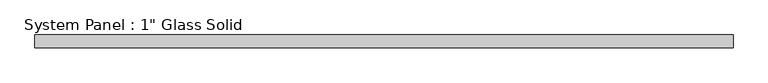
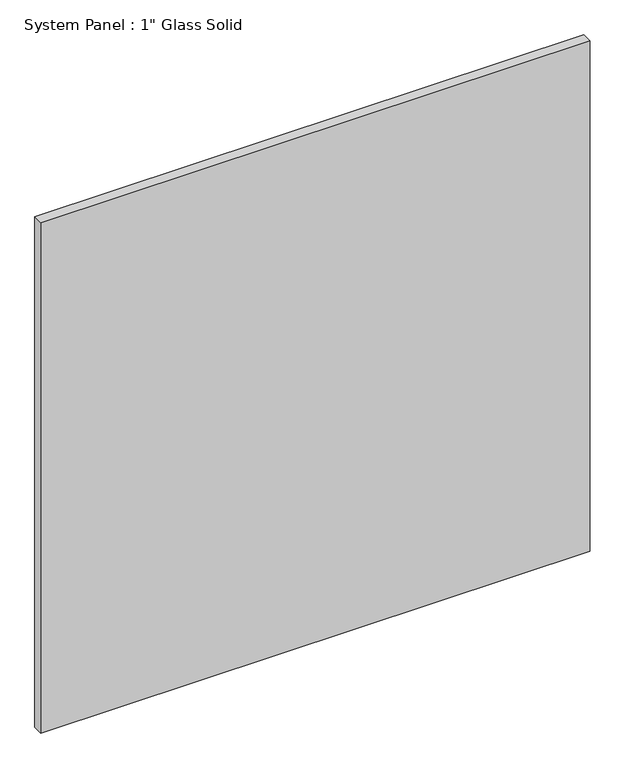
"""IFC4 building model written with IfcOpenShell, lengths in millimetres: plate geometry."""

from ifc_helpers import new_model, si_unit, origin, origin_with_axes, place, context, project, spatial, polyline, outline, extrude, source, transform, mapped, element, save


def plate_1095912c(model_context):
    return source(origin(), model_context, "Body", "SweptSolid", [
        extrude(outline(polyline([(702.1554024, -12.7), (-702.1554024, -12.7), (-702.1554024, 12.7), (702.1554024, 12.7), (702.1554024, -12.7)])), origin_with_axes(), (0.0, 0.0, 1.0), 1379.4928882),
    ])


if __name__ == "__main__":
    model = new_model("IFC4")
    model_context = context("Model", 3, world=origin())
    ifc_project = project(units=[si_unit("LENGTHUNIT", "METRE", prefix="MILLI")], contexts=[model_context])
    site = spatial("IfcSite", under=ifc_project)
    building = spatial("IfcBuilding", under=site)
    placement = place(None, origin())
    plate_shape = plate_1095912c(model_context)
    element("IfcPlate", 1, ObjectType="System Panel : 1\" Glass Solid", at=placement, inside=building, context=model_context, shape_type="MappedRepresentation", body=[
        mapped(plate_shape, transform((0.0, 0.0, 0.0), x_axis=(1.0, 0.0, 0.0), y_axis=(0.0, 1.0, 0.0), z_axis=(0.0, 0.0, 1.0))),
    ])
    save(model, "model.ifc")
